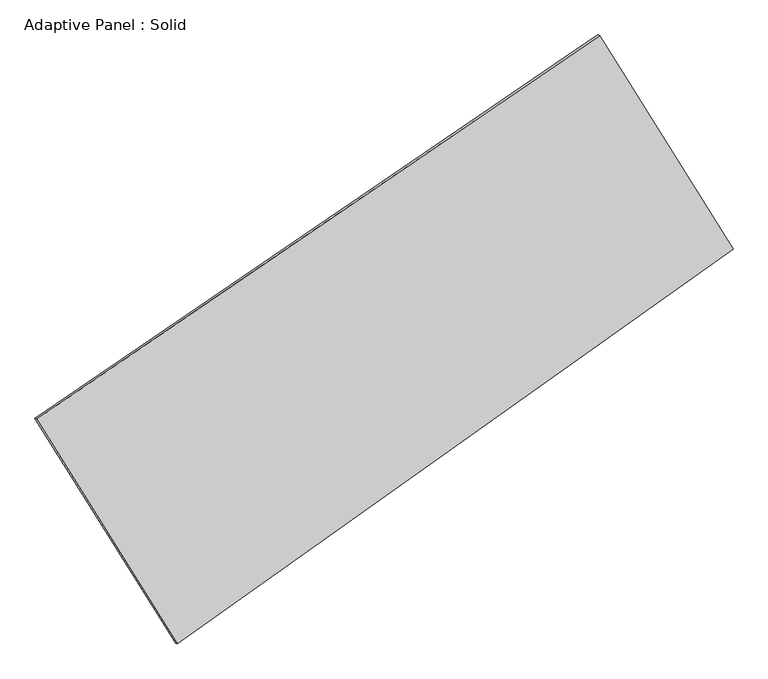
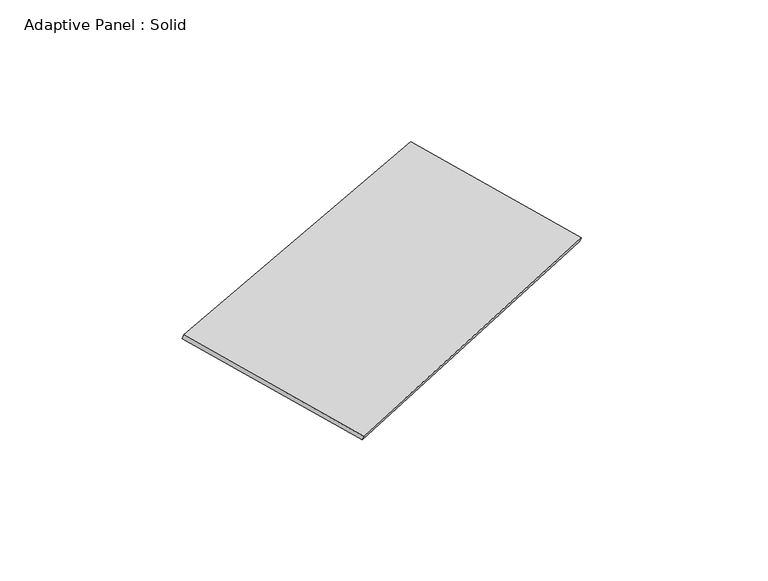
"""IFC4 building model written with IfcOpenShell, lengths in millimetres: plate geometry, Adaptive Panel : Solid."""

import ifcopenshell
import ifcopenshell.guid

model = None  # the IFC model being written
_history = None  # IfcOwnerHistory: only IFC2X3 demands one
_inside = {}  # id of a spatial element -> (the spatial element, [elements in it])
_under = {}  # id of a project, library or spatial element -> (it, [spatial elements below it])
_declared = {}  # id of a project -> (the project, [libraries it declares])
_typed = {}  # id of a type object -> (the type object, [elements of that type])
_made_of = {}  # id of a material, layer set ... -> (it, [elements and type objects made of it])


def new_model(schema):
    """Start an empty IFC model of exactly this schema.

    Asked for "IFC4X3", IfcOpenShell would pick the latest addendum, in which some entities
    have other attributes; the version numbers below select the first issue.
    IFC2X3 requires an IfcOwnerHistory on every rooted entity: one is made here for all.
    """
    global model, _history
    if schema == "IFC4X3":
        model = ifcopenshell.file(schema_version=(4, 3, 0, 0))
    else:
        model = ifcopenshell.file(schema=schema)
    _inside.clear()
    _under.clear()
    _declared.clear()
    _typed.clear()
    _made_of.clear()
    _history = None
    if model.schema == "IFC2X3":
        org = make("IfcOrganization", Name="unknown")
        user = make(
            "IfcPersonAndOrganization",
            ThePerson=make("IfcPerson", FamilyName="unknown"),
            TheOrganization=org,
        )
        app = make(
            "IfcApplication",
            ApplicationDeveloper=org,
            Version="unknown",
            ApplicationFullName="unknown",
            ApplicationIdentifier="unknown",
        )
        _history = make(
            "IfcOwnerHistory",
            OwningUser=user,
            OwningApplication=app,
            ChangeAction="ADDED",
            CreationDate=0,
        )
    return model


def make(cls, **values):
    """One entity of the class cls with the attributes given. An attribute that is None is left unset."""
    return model.create_entity(
        cls, **{name: value for name, value in values.items() if value is not None}
    )


def rooted(cls, **values):
    """An entity with a GlobalId (a new one), such as an element, a storey or a relation."""
    return make(cls, GlobalId=ifcopenshell.guid.new(), OwnerHistory=_history, **values)


def si_unit(unit_type, name, prefix=None):
    """IfcSIUnit, for example si_unit("LENGTHUNIT", "METRE", prefix="MILLI")."""
    return make("IfcSIUnit", UnitType=unit_type, Prefix=prefix, Name=name)


def assignment(units):
    """IfcUnitAssignment: the units of a project."""
    return None if units is None else make("IfcUnitAssignment", Units=units)


def point(xyz):
    """IfcCartesianPoint."""
    return None if xyz is None else make("IfcCartesianPoint", Coordinates=xyz)


def direction(xyz):
    """IfcDirection."""
    return None if xyz is None else make("IfcDirection", DirectionRatios=xyz)


def frame(location, z_axis=None, x_axis=None):
    """IfcAxis2Placement3D, a coordinate frame: its origin and axes. An axis left out is left unset."""
    return make(
        "IfcAxis2Placement3D",
        Location=point(location),
        Axis=direction(z_axis),
        RefDirection=direction(x_axis),
    )


def origin():
    """The frame at (0, 0, 0) with its axes left unset."""
    return frame((0.0, 0.0, 0.0))


def place(relative_to, where):
    """IfcLocalPlacement: puts the frame where relative to a parent placement (None: the world)."""
    return make(
        "IfcLocalPlacement", PlacementRelTo=relative_to, RelativePlacement=where
    )


def context(
    kind, dimensions, precision=None, world=None, true_north=None, identifier=None
):
    """IfcGeometricRepresentationContext, for example the 3D "Model" context."""
    return make(
        "IfcGeometricRepresentationContext",
        ContextIdentifier=identifier,
        ContextType=kind,
        CoordinateSpaceDimension=dimensions,
        Precision=precision,
        WorldCoordinateSystem=world,
        TrueNorth=true_north,
    )


def project(units=None, contexts=None):
    """IfcProject with its units and contexts."""
    return rooted(
        "IfcProject",
        Name="project",
        RepresentationContexts=contexts,
        UnitsInContext=assignment(units),
    )


def spatial(cls, under=None, at=None, **own):
    """A site, building, storey or space (cls), placed at a placement, below another one or the project."""
    s = rooted(cls, ObjectPlacement=at, **own)
    if under is not None:
        _under.setdefault(under.id(), (under, []))[1].append(s)
    return s


def polyline(points):
    """IfcPolyline through the points."""
    return make("IfcPolyline", Points=[point(p) for p in points])


def outline(outer, holes=None, kind="AREA"):
    """IfcArbitraryClosedProfileDef: a profile drawn as a closed curve; with holes, ...WithVoids."""
    if holes is None:
        return make("IfcArbitraryClosedProfileDef", ProfileType=kind, OuterCurve=outer)
    return make(
        "IfcArbitraryProfileDefWithVoids",
        ProfileType=kind,
        OuterCurve=outer,
        InnerCurves=holes,
    )


def extrude(swept, where, along, depth):
    """IfcExtrudedAreaSolid: the profile swept, set in the frame where, extruded along a direction by depth."""
    return make(
        "IfcExtrudedAreaSolid",
        SweptArea=swept,
        Position=where,
        ExtrudedDirection=direction(along),
        Depth=depth,
    )


def shape(context_of_items, identifier, shape_type, items):
    """IfcShapeRepresentation: the items that make up one representation, for example the "Body"."""
    return make(
        "IfcShapeRepresentation",
        ContextOfItems=context_of_items,
        RepresentationIdentifier=identifier,
        RepresentationType=shape_type,
        Items=items,
    )


def source(mapping_origin, context_of_items, identifier, shape_type, items):
    """IfcRepresentationMap: a shape defined once, which mapped items show again and again."""
    return make(
        "IfcRepresentationMap",
        MappingOrigin=mapping_origin,
        MappedRepresentation=shape(context_of_items, identifier, shape_type, items),
    )


def transform(
    local_origin,
    x_axis=None,
    y_axis=None,
    z_axis=None,
    scale=None,
    scale2=None,
    scale3=None,
    uniform=True,
):
    """IfcCartesianTransformationOperator3D, or its non-uniform kind. x_axis, y_axis, z_axis: its Axis1, 2, 3."""
    if uniform:
        return make(
            "IfcCartesianTransformationOperator3D",
            Axis1=direction(x_axis),
            Axis2=direction(y_axis),
            LocalOrigin=point(local_origin),
            Scale=scale,
            Axis3=direction(z_axis),
        )
    return make(
        "IfcCartesianTransformationOperator3DnonUniform",
        Axis1=direction(x_axis),
        Axis2=direction(y_axis),
        LocalOrigin=point(local_origin),
        Scale=scale,
        Axis3=direction(z_axis),
        Scale2=scale2,
        Scale3=scale3,
    )


def mapped(mapping_source, mapping_target):
    """IfcMappedItem: shows the shape of a source again, moved by a transform."""
    return make(
        "IfcMappedItem", MappingSource=mapping_source, MappingTarget=mapping_target
    )


def made_of(thing, what):
    """Note that an element or type object is made of a material, layer set ...; save() writes the relation."""
    if what is not None:
        _made_of.setdefault(what.id(), (what, []))[1].append(thing)
    return thing


def element(
    cls,
    number,
    at=None,
    inside=None,
    cuts=None,
    type_object=None,
    material=None,
    context=None,
    identifier="Body",
    shape_type=None,
    held_by="IfcProductDefinitionShape",
    body=None,
    shapes=None,
    **own,
):
    """One element of the class cls, such as IfcWall. Its Tag is "e" and its number.

    at: its placement. inside: the storey or other place that contains it. cuts: it is an
    opening in that element (IfcRelVoidsElement). A single representation is given by context,
    identifier, shape_type and body (its items); several are given by shapes. held_by: the class
    of the entity that holds the representations. save() writes the other relations.
    """
    e = rooted(cls, Tag="e%d" % number, ObjectPlacement=at, **own)
    if body is not None:
        shapes = [shape(context, identifier, shape_type, body)]
    if shapes is not None:
        e.Representation = make(held_by, Representations=shapes)
    if inside is not None:
        _inside.setdefault(inside.id(), (inside, []))[1].append(e)
    if cuts is not None:
        rooted(
            "IfcRelVoidsElement", RelatingBuildingElement=cuts, RelatedOpeningElement=e
        )
    if type_object is not None:
        _typed.setdefault(type_object.id(), (type_object, []))[1].append(e)
    return made_of(e, material)


def aggregate(whole, parts):
    """IfcRelAggregates: a whole, such as a stair, and the parts it consists of."""
    return rooted("IfcRelAggregates", RelatingObject=whole, RelatedObjects=parts)


def save(model, path):
    """Write the relations noted so far, then the file.

    IfcRelAggregates (storeys below a building ...), IfcRelContainedInSpatialStructure (elements
    in a storey), IfcRelDefinesByType, IfcRelAssociatesMaterial and IfcRelDeclares: one each for
    every whole, place, type object, material and project.
    """
    for whole, parts in _under.values():
        aggregate(whole, parts)
    for where, things in _inside.values():
        rooted(
            "IfcRelContainedInSpatialStructure",
            RelatedElements=things,
            RelatingStructure=where,
        )
    for kind, things in _typed.values():
        rooted("IfcRelDefinesByType", RelatedObjects=things, RelatingType=kind)
    for what, things in _made_of.values():
        rooted("IfcRelAssociatesMaterial", RelatedObjects=things, RelatingMaterial=what)
    for by, libraries in _declared.values():
        rooted("IfcRelDeclares", RelatingContext=by, RelatedDefinitions=libraries)
    model.write(path)


def adaptive_panel_solid_6392cb74(model_context):
    return source(origin(), model_context, "Body", "SweptSolid", [
        extrude(outline(polyline([(-1111.209882, 2941.1925734), (1111.209882, 2941.1925734), (1169.7801709, -2941.1925735), (-1169.7801709, -2941.1925735), (-1111.209882, 2941.1925734)])), frame((-650.8226445, -100.0621432, 871.2806301), z_axis=(0.2933271166111761, -0.1276018692868715, 0.9474581603506668), x_axis=(0.5108043427353541, -0.8168081611723489, -0.2681480025749757)), (0.0, 0.0, 1.0), 50.0),
    ])


if __name__ == "__main__":
    model = new_model("IFC4")
    model_context = context("Model", 3, world=origin())
    ifc_project = project(units=[si_unit("LENGTHUNIT", "METRE", prefix="MILLI")], contexts=[model_context])
    site = spatial("IfcSite", under=ifc_project)
    building = spatial("IfcBuilding", under=site)
    placement = place(None, origin())
    adaptive_panel_solid_shape = adaptive_panel_solid_6392cb74(model_context)
    element("IfcPlate", 1, ObjectType="Adaptive Panel : Solid", at=placement, inside=building, context=model_context, shape_type="MappedRepresentation", body=[
        mapped(adaptive_panel_solid_shape, transform((0.0, 0.0, 0.0), x_axis=(1.0, 0.0, 0.0), y_axis=(0.0, 1.0, 0.0), z_axis=(0.0, 0.0, 1.0))),
    ])
    save(model, "model.ifc")
